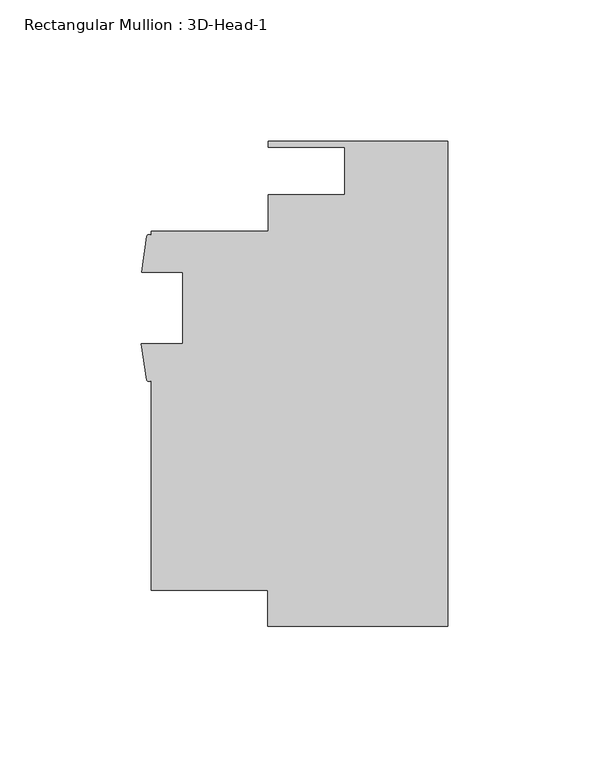
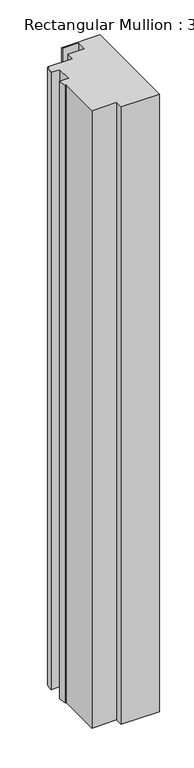
"""IFC4 building model written with IfcOpenShell, lengths in millimetres: member geometry, Rectangular Mullion : 3D-Head-1."""

from ifc_helpers import new_model, si_unit, point, frame, frame_2d, origin, place, context, project, spatial, polyline, circle_curve, trimmed, segment, composite_curve, outline, extrude, source, transform, mapped, element, save


def rectangular_mullion_3d_head_1_f5dc6bc6(model_context):
    return source(origin(), model_context, "Body", "SweptSolid", [
        extrude(outline(composite_curve([segment(polyline([(0.0, -85.7249999), (-63.5322656, -85.7249999), (-63.5322656, -73.023969), (-104.7749997, -73.023969), (-104.7749997, 1.2994531)]), True, "CONTINUOUS"), segment(trimmed(circle_curve(frame_2d((-105.6067019, 1.8328959)), 0.9880737), [point((-104.7749997, 1.2994531))], [point((-106.4384041, 1.2994531))], False, "CARTESIAN"), True, "CONTINUOUS"), segment(polyline([(-106.4384041, 1.2994531), (-108.2945214, 14.0725059), (-93.6624997, 14.0725059), (-93.6624997, 39.4725059), (-108.1709997, 39.4725059), (-106.3608959, 52.2437935)]), True, "CONTINUOUS"), segment(trimmed(circle_curve(frame_2d((-105.5679478, 51.826203)), 0.8961856), [point((-106.3608959, 52.2437935))], [point((-104.7749997, 52.2437935))], False, "CARTESIAN"), True, "CONTINUOUS"), segment(polyline([(-104.7749997, 52.2437935), (-104.7749997, 53.976031), (-63.4999996, 53.976031), (-63.4999996, 66.7923427), (-36.3401991, 66.7923427), (-36.3401991, 83.6929999), (-63.4999996, 83.6929999), (-63.4999996, 85.7249999), (0.0, 85.7249999), (0.0, -85.7249999)]), True, "CONTINUOUS")], self_intersect=False)), frame((0.0, 0.0, -1085.4769441), z_axis=(0.0, 0.0, 1.0), x_axis=(1.0, 0.0, 0.0)), (0.0, 0.0, 1.0), 1085.4769441),
    ])


if __name__ == "__main__":
    model = new_model("IFC4")
    model_context = context("Model", 3, world=origin())
    ifc_project = project(units=[si_unit("LENGTHUNIT", "METRE", prefix="MILLI")], contexts=[model_context])
    site = spatial("IfcSite", under=ifc_project)
    building = spatial("IfcBuilding", under=site)
    placement = place(None, origin())
    rectangular_mullion_3d_head_1_shape = rectangular_mullion_3d_head_1_f5dc6bc6(model_context)
    element("IfcMember", 1, ObjectType="Rectangular Mullion : 3D-Head-1", at=placement, inside=building, context=model_context, shape_type="MappedRepresentation", body=[
        mapped(rectangular_mullion_3d_head_1_shape, transform((0.0, 0.0, 0.0), x_axis=(1.0, 0.0, 0.0), y_axis=(0.0, 1.0, 0.0), z_axis=(0.0, 0.0, 1.0))),
    ])
    save(model, "model.ifc")
